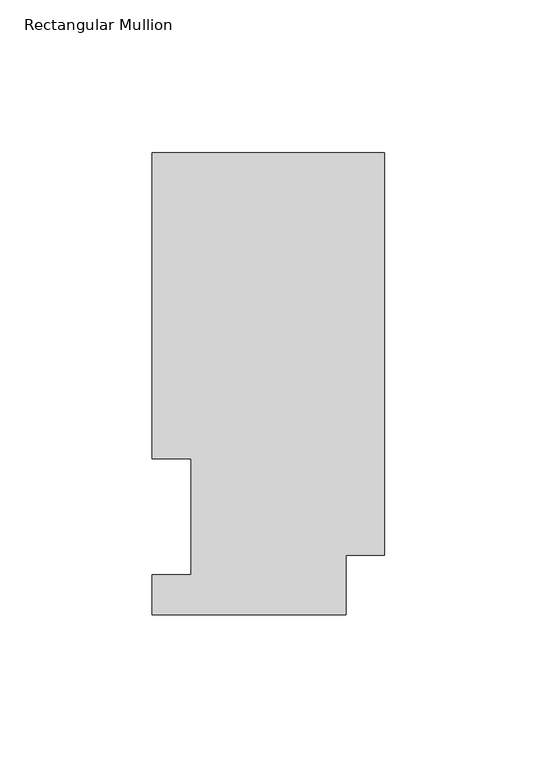
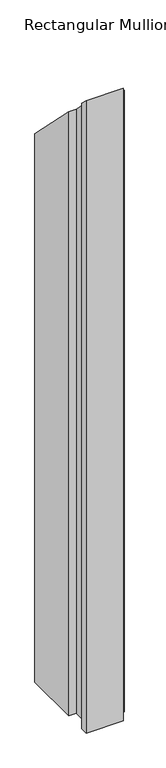
"""IFC4 building model written with IfcOpenShell, lengths in millimetres: member geometry, Rectangular Mullion."""

from ifc_helpers import new_model, si_unit, origin, place, context, project, spatial, faceted_brep, source, transform, mapped, element, save


def rectangular_mullion_59e51eb8(model_context):
    return source(origin(), model_context, "Body", "Brep", [
        faceted_brep([(-76.2, 51.2960938, -1143.0134937), (-76.2, 151.7022937, -1143.0134937), (0.0, 151.7022937, -1143.0134937), (0.0, 19.5455957, -1143.0134937), (-12.7, 19.5455957, -1143.0134937), (-12.7, 0.0134937, -1143.0134937), (-76.2, 0.0134937, -1143.0134937), (-76.2, 13.1960937, -1143.0134937), (-63.5, 13.1960937, -1143.0134937), (-63.5, 51.2960938, -1143.0134937), (-63.5, 51.2960938, -51.2960938), (-76.2, 51.2960938, -51.2960938), (-63.5, 13.1960937, -13.1960937), (-76.2, 13.1960937, -13.1960937), (-76.2, 0.0134937, -0.0134937), (-12.7, 0.0134937, -0.0134937), (-12.7, 19.5455957, -19.5455957), (0.0, 19.5455957, -19.5455957), (0.0, 151.7022937, -151.7022937), (-76.2, 151.7022937, -151.7022938)], [[[0, 1, 2, 3, 4, 5, 6, 7, 8, 9]], [[10, 11, 0, 9]], [[12, 10, 9, 8]], [[13, 12, 8, 7]], [[14, 13, 7, 6]], [[15, 14, 6, 5]], [[16, 15, 5, 4]], [[17, 16, 4, 3]], [[18, 17, 3, 2]], [[19, 18, 2, 1]], [[11, 19, 1, 0]], [[11, 10, 12, 13, 14, 15, 16, 17, 18, 19]]]),
    ])


if __name__ == "__main__":
    model = new_model("IFC4")
    model_context = context("Model", 3, world=origin())
    ifc_project = project(units=[si_unit("LENGTHUNIT", "METRE", prefix="MILLI")], contexts=[model_context])
    site = spatial("IfcSite", under=ifc_project)
    building = spatial("IfcBuilding", under=site)
    placement = place(None, origin())
    rectangular_mullion_shape = rectangular_mullion_59e51eb8(model_context)
    element("IfcMember", 1, ObjectType="Rectangular Mullion", at=placement, inside=building, context=model_context, shape_type="MappedRepresentation", body=[
        mapped(rectangular_mullion_shape, transform((0.0, 0.0, 0.0), x_axis=(1.0, 0.0, 0.0), y_axis=(0.0, 1.0, 0.0), z_axis=(0.0, 0.0, 1.0))),
    ])
    save(model, "model.ifc")
